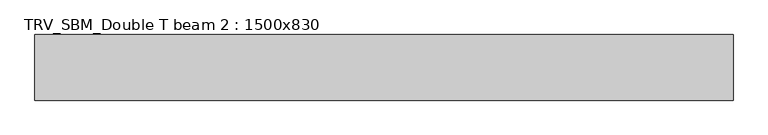
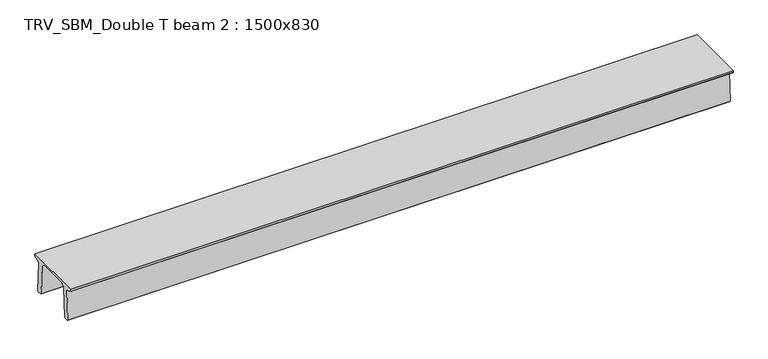
"""IFC4 building model written with IfcOpenShell, lengths in millimetres: beam geometry, TRV_SBM_Double T beam 2 : 1500x830."""

from ifc_helpers import new_model, si_unit, frame, origin, place, context, project, spatial, polyline, outline, extrude, source, transform, mapped, element, save


def trv_sbm_double_t_beam_2_1500x830_988ed073(model_context):
    return source(origin(), model_context, "Body", "SweptSolid", [
        extrude(outline(polyline([(337.4555014, 470.0), (-343.4555014, 470.0), (-456.5828437, 409.8491251), (-494.786332, -340.5206011), (-514.2657308, -360.0), (-604.2657308, -360.0), (-624.8277662, -339.4379646), (-586.9373878, 401.9654693), (-752.8511046, 468.9989621), (-753.0, 475.0), (-753.0, 520.0), (747.0, 520.0), (747.0, 475.0), (746.8511046, 468.9989621), (580.9373878, 401.9654693), (618.8277662, -339.4379646), (598.2657308, -360.0), (508.2657308, -360.0), (488.786332, -340.5206011), (450.5828437, 409.8491251), (337.4555014, 470.0)])), frame((-7981.0, 0.0, 0.0), z_axis=(1.0, 0.0, 0.0), x_axis=(0.0, 1.0, 0.0)), (0.0, 0.0, 1.0), 15962.0),
    ])


if __name__ == "__main__":
    model = new_model("IFC4")
    model_context = context("Model", 3, world=origin())
    ifc_project = project(units=[si_unit("LENGTHUNIT", "METRE", prefix="MILLI")], contexts=[model_context])
    site = spatial("IfcSite", under=ifc_project)
    building = spatial("IfcBuilding", under=site)
    placement = place(None, origin())
    trv_sbm_double_t_beam_2_1500x830_shape = trv_sbm_double_t_beam_2_1500x830_988ed073(model_context)
    element("IfcBeam", 1, ObjectType="TRV_SBM_Double T beam 2 : 1500x830", at=placement, inside=building, context=model_context, shape_type="MappedRepresentation", body=[
        mapped(trv_sbm_double_t_beam_2_1500x830_shape, transform((0.0, 0.0, 0.0), x_axis=(1.0, 0.0, 0.0), y_axis=(0.0, 1.0, 0.0), z_axis=(0.0, 0.0, 1.0))),
    ])
    save(model, "model.ifc")
